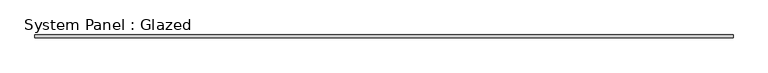
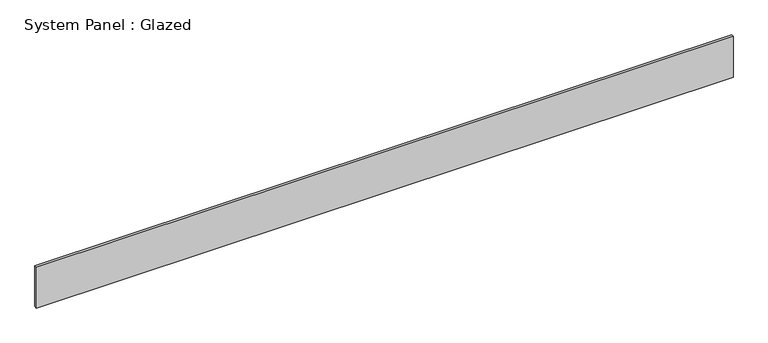
"""IFC4 building model written with IfcOpenShell, lengths in millimetres: plate geometry, System Panel : Glazed."""

import ifcopenshell
import ifcopenshell.guid

model = None  # the IFC model being written
_history = None  # IfcOwnerHistory: only IFC2X3 demands one
_inside = {}  # id of a spatial element -> (the spatial element, [elements in it])
_under = {}  # id of a project, library or spatial element -> (it, [spatial elements below it])
_declared = {}  # id of a project -> (the project, [libraries it declares])
_typed = {}  # id of a type object -> (the type object, [elements of that type])
_made_of = {}  # id of a material, layer set ... -> (it, [elements and type objects made of it])


def new_model(schema):
    """Start an empty IFC model of exactly this schema.

    Asked for "IFC4X3", IfcOpenShell would pick the latest addendum, in which some entities
    have other attributes; the version numbers below select the first issue.
    IFC2X3 requires an IfcOwnerHistory on every rooted entity: one is made here for all.
    """
    global model, _history
    if schema == "IFC4X3":
        model = ifcopenshell.file(schema_version=(4, 3, 0, 0))
    else:
        model = ifcopenshell.file(schema=schema)
    _inside.clear()
    _under.clear()
    _declared.clear()
    _typed.clear()
    _made_of.clear()
    _history = None
    if model.schema == "IFC2X3":
        org = make("IfcOrganization", Name="unknown")
        user = make(
            "IfcPersonAndOrganization",
            ThePerson=make("IfcPerson", FamilyName="unknown"),
            TheOrganization=org,
        )
        app = make(
            "IfcApplication",
            ApplicationDeveloper=org,
            Version="unknown",
            ApplicationFullName="unknown",
            ApplicationIdentifier="unknown",
        )
        _history = make(
            "IfcOwnerHistory",
            OwningUser=user,
            OwningApplication=app,
            ChangeAction="ADDED",
            CreationDate=0,
        )
    return model


def make(cls, **values):
    """One entity of the class cls with the attributes given. An attribute that is None is left unset."""
    return model.create_entity(
        cls, **{name: value for name, value in values.items() if value is not None}
    )


def rooted(cls, **values):
    """An entity with a GlobalId (a new one), such as an element, a storey or a relation."""
    return make(cls, GlobalId=ifcopenshell.guid.new(), OwnerHistory=_history, **values)


def si_unit(unit_type, name, prefix=None):
    """IfcSIUnit, for example si_unit("LENGTHUNIT", "METRE", prefix="MILLI")."""
    return make("IfcSIUnit", UnitType=unit_type, Prefix=prefix, Name=name)


def assignment(units):
    """IfcUnitAssignment: the units of a project."""
    return None if units is None else make("IfcUnitAssignment", Units=units)


def point(xyz):
    """IfcCartesianPoint."""
    return None if xyz is None else make("IfcCartesianPoint", Coordinates=xyz)


def direction(xyz):
    """IfcDirection."""
    return None if xyz is None else make("IfcDirection", DirectionRatios=xyz)


def frame(location, z_axis=None, x_axis=None):
    """IfcAxis2Placement3D, a coordinate frame: its origin and axes. An axis left out is left unset."""
    return make(
        "IfcAxis2Placement3D",
        Location=point(location),
        Axis=direction(z_axis),
        RefDirection=direction(x_axis),
    )


def origin():
    """The frame at (0, 0, 0) with its axes left unset."""
    return frame((0.0, 0.0, 0.0))


def origin_with_axes():
    """The frame at (0, 0, 0) with the z axis (0, 0, 1) and the x axis (1, 0, 0) written out."""
    return frame((0.0, 0.0, 0.0), z_axis=(0.0, 0.0, 1.0), x_axis=(1.0, 0.0, 0.0))


def place(relative_to, where):
    """IfcLocalPlacement: puts the frame where relative to a parent placement (None: the world)."""
    return make(
        "IfcLocalPlacement", PlacementRelTo=relative_to, RelativePlacement=where
    )


def context(
    kind, dimensions, precision=None, world=None, true_north=None, identifier=None
):
    """IfcGeometricRepresentationContext, for example the 3D "Model" context."""
    return make(
        "IfcGeometricRepresentationContext",
        ContextIdentifier=identifier,
        ContextType=kind,
        CoordinateSpaceDimension=dimensions,
        Precision=precision,
        WorldCoordinateSystem=world,
        TrueNorth=true_north,
    )


def project(units=None, contexts=None):
    """IfcProject with its units and contexts."""
    return rooted(
        "IfcProject",
        Name="project",
        RepresentationContexts=contexts,
        UnitsInContext=assignment(units),
    )


def spatial(cls, under=None, at=None, **own):
    """A site, building, storey or space (cls), placed at a placement, below another one or the project."""
    s = rooted(cls, ObjectPlacement=at, **own)
    if under is not None:
        _under.setdefault(under.id(), (under, []))[1].append(s)
    return s


def polyline(points):
    """IfcPolyline through the points."""
    return make("IfcPolyline", Points=[point(p) for p in points])


def outline(outer, holes=None, kind="AREA"):
    """IfcArbitraryClosedProfileDef: a profile drawn as a closed curve; with holes, ...WithVoids."""
    if holes is None:
        return make("IfcArbitraryClosedProfileDef", ProfileType=kind, OuterCurve=outer)
    return make(
        "IfcArbitraryProfileDefWithVoids",
        ProfileType=kind,
        OuterCurve=outer,
        InnerCurves=holes,
    )


def extrude(swept, where, along, depth):
    """IfcExtrudedAreaSolid: the profile swept, set in the frame where, extruded along a direction by depth."""
    return make(
        "IfcExtrudedAreaSolid",
        SweptArea=swept,
        Position=where,
        ExtrudedDirection=direction(along),
        Depth=depth,
    )


def shape(context_of_items, identifier, shape_type, items):
    """IfcShapeRepresentation: the items that make up one representation, for example the "Body"."""
    return make(
        "IfcShapeRepresentation",
        ContextOfItems=context_of_items,
        RepresentationIdentifier=identifier,
        RepresentationType=shape_type,
        Items=items,
    )


def source(mapping_origin, context_of_items, identifier, shape_type, items):
    """IfcRepresentationMap: a shape defined once, which mapped items show again and again."""
    return make(
        "IfcRepresentationMap",
        MappingOrigin=mapping_origin,
        MappedRepresentation=shape(context_of_items, identifier, shape_type, items),
    )


def transform(
    local_origin,
    x_axis=None,
    y_axis=None,
    z_axis=None,
    scale=None,
    scale2=None,
    scale3=None,
    uniform=True,
):
    """IfcCartesianTransformationOperator3D, or its non-uniform kind. x_axis, y_axis, z_axis: its Axis1, 2, 3."""
    if uniform:
        return make(
            "IfcCartesianTransformationOperator3D",
            Axis1=direction(x_axis),
            Axis2=direction(y_axis),
            LocalOrigin=point(local_origin),
            Scale=scale,
            Axis3=direction(z_axis),
        )
    return make(
        "IfcCartesianTransformationOperator3DnonUniform",
        Axis1=direction(x_axis),
        Axis2=direction(y_axis),
        LocalOrigin=point(local_origin),
        Scale=scale,
        Axis3=direction(z_axis),
        Scale2=scale2,
        Scale3=scale3,
    )


def mapped(mapping_source, mapping_target):
    """IfcMappedItem: shows the shape of a source again, moved by a transform."""
    return make(
        "IfcMappedItem", MappingSource=mapping_source, MappingTarget=mapping_target
    )


def made_of(thing, what):
    """Note that an element or type object is made of a material, layer set ...; save() writes the relation."""
    if what is not None:
        _made_of.setdefault(what.id(), (what, []))[1].append(thing)
    return thing


def element(
    cls,
    number,
    at=None,
    inside=None,
    cuts=None,
    type_object=None,
    material=None,
    context=None,
    identifier="Body",
    shape_type=None,
    held_by="IfcProductDefinitionShape",
    body=None,
    shapes=None,
    **own,
):
    """One element of the class cls, such as IfcWall. Its Tag is "e" and its number.

    at: its placement. inside: the storey or other place that contains it. cuts: it is an
    opening in that element (IfcRelVoidsElement). A single representation is given by context,
    identifier, shape_type and body (its items); several are given by shapes. held_by: the class
    of the entity that holds the representations. save() writes the other relations.
    """
    e = rooted(cls, Tag="e%d" % number, ObjectPlacement=at, **own)
    if body is not None:
        shapes = [shape(context, identifier, shape_type, body)]
    if shapes is not None:
        e.Representation = make(held_by, Representations=shapes)
    if inside is not None:
        _inside.setdefault(inside.id(), (inside, []))[1].append(e)
    if cuts is not None:
        rooted(
            "IfcRelVoidsElement", RelatingBuildingElement=cuts, RelatedOpeningElement=e
        )
    if type_object is not None:
        _typed.setdefault(type_object.id(), (type_object, []))[1].append(e)
    return made_of(e, material)


def aggregate(whole, parts):
    """IfcRelAggregates: a whole, such as a stair, and the parts it consists of."""
    return rooted("IfcRelAggregates", RelatingObject=whole, RelatedObjects=parts)


def save(model, path):
    """Write the relations noted so far, then the file.

    IfcRelAggregates (storeys below a building ...), IfcRelContainedInSpatialStructure (elements
    in a storey), IfcRelDefinesByType, IfcRelAssociatesMaterial and IfcRelDeclares: one each for
    every whole, place, type object, material and project.
    """
    for whole, parts in _under.values():
        aggregate(whole, parts)
    for where, things in _inside.values():
        rooted(
            "IfcRelContainedInSpatialStructure",
            RelatedElements=things,
            RelatingStructure=where,
        )
    for kind, things in _typed.values():
        rooted("IfcRelDefinesByType", RelatedObjects=things, RelatingType=kind)
    for what, things in _made_of.values():
        rooted("IfcRelAssociatesMaterial", RelatedObjects=things, RelatingMaterial=what)
    for by, libraries in _declared.values():
        rooted("IfcRelDeclares", RelatingContext=by, RelatedDefinitions=libraries)
    model.write(path)


def system_panel_glazed_0001c874(model_context):
    return source(origin(), model_context, "Body", "SweptSolid", [
        extrude(outline(polyline([(3222.5552687, 24.5), (-3222.5552687, 24.5), (-3222.5552687, 49.5), (3222.5552687, 49.5), (3222.5552687, 24.5)])), origin_with_axes(), (0.0, 0.0, 1.0), 400.0),
    ])


if __name__ == "__main__":
    model = new_model("IFC4")
    model_context = context("Model", 3, world=origin())
    ifc_project = project(units=[si_unit("LENGTHUNIT", "METRE", prefix="MILLI")], contexts=[model_context])
    site = spatial("IfcSite", under=ifc_project)
    building = spatial("IfcBuilding", under=site)
    placement = place(None, origin())
    system_panel_glazed_shape = system_panel_glazed_0001c874(model_context)
    element("IfcPlate", 1, ObjectType="System Panel : Glazed", at=placement, inside=building, context=model_context, shape_type="MappedRepresentation", body=[
        mapped(system_panel_glazed_shape, transform((0.0, 0.0, 0.0), x_axis=(1.0, 0.0, 0.0), y_axis=(0.0, 1.0, 0.0), z_axis=(0.0, 0.0, 1.0))),
    ])
    save(model, "model.ifc")
